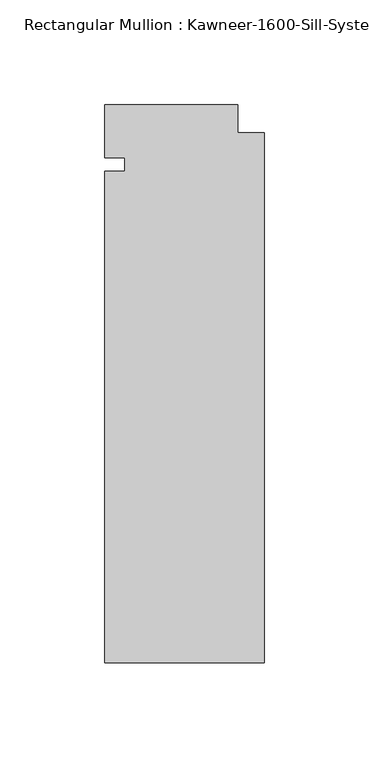
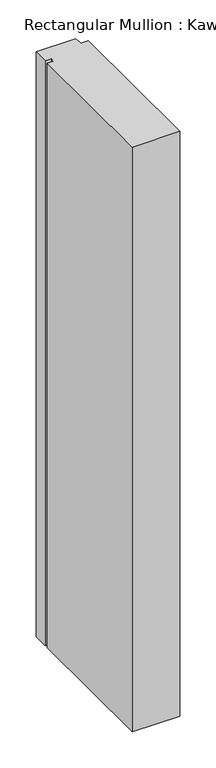
"""IFC4 building model written with IfcOpenShell, lengths in millimetres: member geometry."""

import ifcopenshell
import ifcopenshell.guid

model = None  # the IFC model being written
_history = None  # IfcOwnerHistory: only IFC2X3 demands one
_inside = {}  # id of a spatial element -> (the spatial element, [elements in it])
_under = {}  # id of a project, library or spatial element -> (it, [spatial elements below it])
_declared = {}  # id of a project -> (the project, [libraries it declares])
_typed = {}  # id of a type object -> (the type object, [elements of that type])
_made_of = {}  # id of a material, layer set ... -> (it, [elements and type objects made of it])


def new_model(schema):
    """Start an empty IFC model of exactly this schema.

    Asked for "IFC4X3", IfcOpenShell would pick the latest addendum, in which some entities
    have other attributes; the version numbers below select the first issue.
    IFC2X3 requires an IfcOwnerHistory on every rooted entity: one is made here for all.
    """
    global model, _history
    if schema == "IFC4X3":
        model = ifcopenshell.file(schema_version=(4, 3, 0, 0))
    else:
        model = ifcopenshell.file(schema=schema)
    _inside.clear()
    _under.clear()
    _declared.clear()
    _typed.clear()
    _made_of.clear()
    _history = None
    if model.schema == "IFC2X3":
        org = make("IfcOrganization", Name="unknown")
        user = make(
            "IfcPersonAndOrganization",
            ThePerson=make("IfcPerson", FamilyName="unknown"),
            TheOrganization=org,
        )
        app = make(
            "IfcApplication",
            ApplicationDeveloper=org,
            Version="unknown",
            ApplicationFullName="unknown",
            ApplicationIdentifier="unknown",
        )
        _history = make(
            "IfcOwnerHistory",
            OwningUser=user,
            OwningApplication=app,
            ChangeAction="ADDED",
            CreationDate=0,
        )
    return model


def make(cls, **values):
    """One entity of the class cls with the attributes given. An attribute that is None is left unset."""
    return model.create_entity(
        cls, **{name: value for name, value in values.items() if value is not None}
    )


def rooted(cls, **values):
    """An entity with a GlobalId (a new one), such as an element, a storey or a relation."""
    return make(cls, GlobalId=ifcopenshell.guid.new(), OwnerHistory=_history, **values)


def si_unit(unit_type, name, prefix=None):
    """IfcSIUnit, for example si_unit("LENGTHUNIT", "METRE", prefix="MILLI")."""
    return make("IfcSIUnit", UnitType=unit_type, Prefix=prefix, Name=name)


def assignment(units):
    """IfcUnitAssignment: the units of a project."""
    return None if units is None else make("IfcUnitAssignment", Units=units)


def point(xyz):
    """IfcCartesianPoint."""
    return None if xyz is None else make("IfcCartesianPoint", Coordinates=xyz)


def direction(xyz):
    """IfcDirection."""
    return None if xyz is None else make("IfcDirection", DirectionRatios=xyz)


def frame(location, z_axis=None, x_axis=None):
    """IfcAxis2Placement3D, a coordinate frame: its origin and axes. An axis left out is left unset."""
    return make(
        "IfcAxis2Placement3D",
        Location=point(location),
        Axis=direction(z_axis),
        RefDirection=direction(x_axis),
    )


def origin():
    """The frame at (0, 0, 0) with its axes left unset."""
    return frame((0.0, 0.0, 0.0))


def place(relative_to, where):
    """IfcLocalPlacement: puts the frame where relative to a parent placement (None: the world)."""
    return make(
        "IfcLocalPlacement", PlacementRelTo=relative_to, RelativePlacement=where
    )


def context(
    kind, dimensions, precision=None, world=None, true_north=None, identifier=None
):
    """IfcGeometricRepresentationContext, for example the 3D "Model" context."""
    return make(
        "IfcGeometricRepresentationContext",
        ContextIdentifier=identifier,
        ContextType=kind,
        CoordinateSpaceDimension=dimensions,
        Precision=precision,
        WorldCoordinateSystem=world,
        TrueNorth=true_north,
    )


def project(units=None, contexts=None):
    """IfcProject with its units and contexts."""
    return rooted(
        "IfcProject",
        Name="project",
        RepresentationContexts=contexts,
        UnitsInContext=assignment(units),
    )


def spatial(cls, under=None, at=None, **own):
    """A site, building, storey or space (cls), placed at a placement, below another one or the project."""
    s = rooted(cls, ObjectPlacement=at, **own)
    if under is not None:
        _under.setdefault(under.id(), (under, []))[1].append(s)
    return s


def polyline(points):
    """IfcPolyline through the points."""
    return make("IfcPolyline", Points=[point(p) for p in points])


def outline(outer, holes=None, kind="AREA"):
    """IfcArbitraryClosedProfileDef: a profile drawn as a closed curve; with holes, ...WithVoids."""
    if holes is None:
        return make("IfcArbitraryClosedProfileDef", ProfileType=kind, OuterCurve=outer)
    return make(
        "IfcArbitraryProfileDefWithVoids",
        ProfileType=kind,
        OuterCurve=outer,
        InnerCurves=holes,
    )


def extrude(swept, where, along, depth):
    """IfcExtrudedAreaSolid: the profile swept, set in the frame where, extruded along a direction by depth."""
    return make(
        "IfcExtrudedAreaSolid",
        SweptArea=swept,
        Position=where,
        ExtrudedDirection=direction(along),
        Depth=depth,
    )


def shape(context_of_items, identifier, shape_type, items):
    """IfcShapeRepresentation: the items that make up one representation, for example the "Body"."""
    return make(
        "IfcShapeRepresentation",
        ContextOfItems=context_of_items,
        RepresentationIdentifier=identifier,
        RepresentationType=shape_type,
        Items=items,
    )


def source(mapping_origin, context_of_items, identifier, shape_type, items):
    """IfcRepresentationMap: a shape defined once, which mapped items show again and again."""
    return make(
        "IfcRepresentationMap",
        MappingOrigin=mapping_origin,
        MappedRepresentation=shape(context_of_items, identifier, shape_type, items),
    )


def transform(
    local_origin,
    x_axis=None,
    y_axis=None,
    z_axis=None,
    scale=None,
    scale2=None,
    scale3=None,
    uniform=True,
):
    """IfcCartesianTransformationOperator3D, or its non-uniform kind. x_axis, y_axis, z_axis: its Axis1, 2, 3."""
    if uniform:
        return make(
            "IfcCartesianTransformationOperator3D",
            Axis1=direction(x_axis),
            Axis2=direction(y_axis),
            LocalOrigin=point(local_origin),
            Scale=scale,
            Axis3=direction(z_axis),
        )
    return make(
        "IfcCartesianTransformationOperator3DnonUniform",
        Axis1=direction(x_axis),
        Axis2=direction(y_axis),
        LocalOrigin=point(local_origin),
        Scale=scale,
        Axis3=direction(z_axis),
        Scale2=scale2,
        Scale3=scale3,
    )


def mapped(mapping_source, mapping_target):
    """IfcMappedItem: shows the shape of a source again, moved by a transform."""
    return make(
        "IfcMappedItem", MappingSource=mapping_source, MappingTarget=mapping_target
    )


def made_of(thing, what):
    """Note that an element or type object is made of a material, layer set ...; save() writes the relation."""
    if what is not None:
        _made_of.setdefault(what.id(), (what, []))[1].append(thing)
    return thing


def element(
    cls,
    number,
    at=None,
    inside=None,
    cuts=None,
    type_object=None,
    material=None,
    context=None,
    identifier="Body",
    shape_type=None,
    held_by="IfcProductDefinitionShape",
    body=None,
    shapes=None,
    **own,
):
    """One element of the class cls, such as IfcWall. Its Tag is "e" and its number.

    at: its placement. inside: the storey or other place that contains it. cuts: it is an
    opening in that element (IfcRelVoidsElement). A single representation is given by context,
    identifier, shape_type and body (its items); several are given by shapes. held_by: the class
    of the entity that holds the representations. save() writes the other relations.
    """
    e = rooted(cls, Tag="e%d" % number, ObjectPlacement=at, **own)
    if body is not None:
        shapes = [shape(context, identifier, shape_type, body)]
    if shapes is not None:
        e.Representation = make(held_by, Representations=shapes)
    if inside is not None:
        _inside.setdefault(inside.id(), (inside, []))[1].append(e)
    if cuts is not None:
        rooted(
            "IfcRelVoidsElement", RelatingBuildingElement=cuts, RelatedOpeningElement=e
        )
    if type_object is not None:
        _typed.setdefault(type_object.id(), (type_object, []))[1].append(e)
    return made_of(e, material)


def aggregate(whole, parts):
    """IfcRelAggregates: a whole, such as a stair, and the parts it consists of."""
    return rooted("IfcRelAggregates", RelatingObject=whole, RelatedObjects=parts)


def save(model, path):
    """Write the relations noted so far, then the file.

    IfcRelAggregates (storeys below a building ...), IfcRelContainedInSpatialStructure (elements
    in a storey), IfcRelDefinesByType, IfcRelAssociatesMaterial and IfcRelDeclares: one each for
    every whole, place, type object, material and project.
    """
    for whole, parts in _under.values():
        aggregate(whole, parts)
    for where, things in _inside.values():
        rooted(
            "IfcRelContainedInSpatialStructure",
            RelatedElements=things,
            RelatingStructure=where,
        )
    for kind, things in _typed.values():
        rooted("IfcRelDefinesByType", RelatedObjects=things, RelatingType=kind)
    for what, things in _made_of.values():
        rooted("IfcRelAssociatesMaterial", RelatedObjects=things, RelatingMaterial=what)
    for by, libraries in _declared.values():
        rooted("IfcRelDeclares", RelatingContext=by, RelatedDefinitions=libraries)
    model.write(path)


def member_9e5de56d(model_context):
    return source(origin(), model_context, "Body", "SweptSolid", [
        extrude(outline(polyline([(-76.2, -3.175), (-66.675, -3.175), (-66.675, 3.175), (-76.2, 3.175), (-76.2, 28.575), (-12.7, 28.575), (-12.7, 15.08125), (0.0, 15.08125), (0.0, -238.125), (-76.2, -238.125), (-76.2, -3.175)])), frame((0.0, 0.0, -990.6), z_axis=(0.0, 0.0, 1.0), x_axis=(1.0, 0.0, 0.0)), (0.0, 0.0, 1.0), 990.6),
    ])


if __name__ == "__main__":
    model = new_model("IFC4")
    model_context = context("Model", 3, world=origin())
    ifc_project = project(units=[si_unit("LENGTHUNIT", "METRE", prefix="MILLI")], contexts=[model_context])
    site = spatial("IfcSite", under=ifc_project)
    building = spatial("IfcBuilding", under=site)
    placement = place(None, origin())
    member_shape = member_9e5de56d(model_context)
    element("IfcMember", 1, ObjectType="Rectangular Mullion : Kawneer-1600-Sill-System1-10_1/2\"-1/4\"Infill", at=placement, inside=building, context=model_context, shape_type="MappedRepresentation", body=[
        mapped(member_shape, transform((0.0, 0.0, 0.0), x_axis=(1.0, 0.0, 0.0), y_axis=(0.0, 1.0, 0.0), z_axis=(0.0, 0.0, 1.0))),
    ])
    save(model, "model.ifc")
